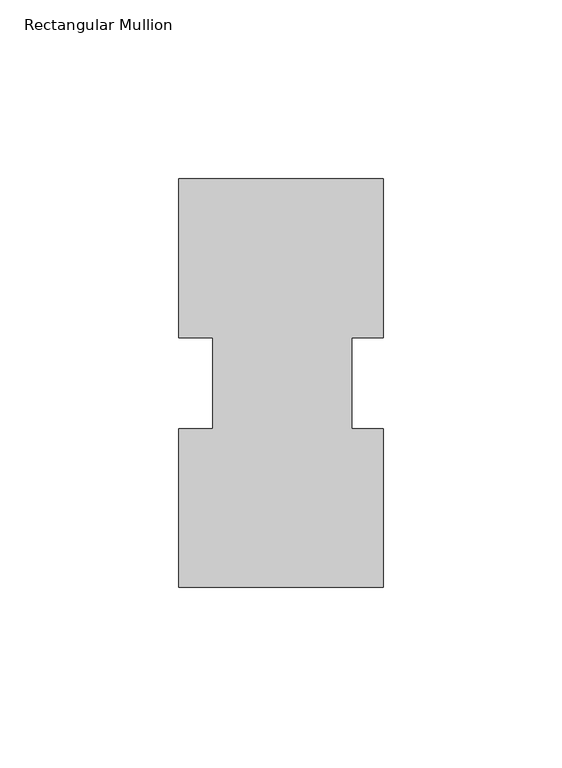
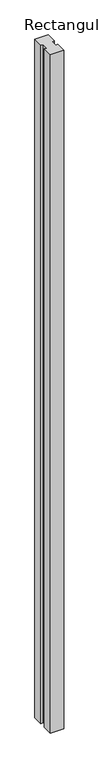
"""IFC4 building model written with IfcOpenShell, lengths in millimetres: member geometry, Rectangular Mullion."""

from ifc_helpers import new_model, si_unit, frame, origin, place, context, project, spatial, polyline, outline, extrude, source, transform, mapped, element, save


def rectangular_mullion_07b9e202(model_context):
    return source(origin(), model_context, "Body", "SweptSolid", [
        extrude(outline(polyline([(28.575, -57.1000139), (-28.575, -57.1000139), (-28.575, -12.7438492), (-19.05, -12.7438492), (-19.05, 12.7438492), (-28.575, 12.7438492), (-28.575, 57.1999861), (28.575, 57.1999861), (28.575, 12.7438492), (19.84375, 12.7438492), (19.84375, -12.7438492), (28.575, -12.7438492), (28.575, -57.1000139)])), frame((0.0, 0.0, -3048.0), z_axis=(0.0, 0.0, 1.0), x_axis=(1.0, 0.0, 0.0)), (0.0, 0.0, 1.0), 3048.0),
    ])


if __name__ == "__main__":
    model = new_model("IFC4")
    model_context = context("Model", 3, world=origin())
    ifc_project = project(units=[si_unit("LENGTHUNIT", "METRE", prefix="MILLI")], contexts=[model_context])
    site = spatial("IfcSite", under=ifc_project)
    building = spatial("IfcBuilding", under=site)
    placement = place(None, origin())
    rectangular_mullion_shape = rectangular_mullion_07b9e202(model_context)
    element("IfcMember", 1, ObjectType="Rectangular Mullion", at=placement, inside=building, context=model_context, shape_type="MappedRepresentation", body=[
        mapped(rectangular_mullion_shape, transform((0.0, 0.0, 0.0), x_axis=(1.0, 0.0, 0.0), y_axis=(0.0, 1.0, 0.0), z_axis=(0.0, 0.0, 1.0))),
    ])
    save(model, "model.ifc")
